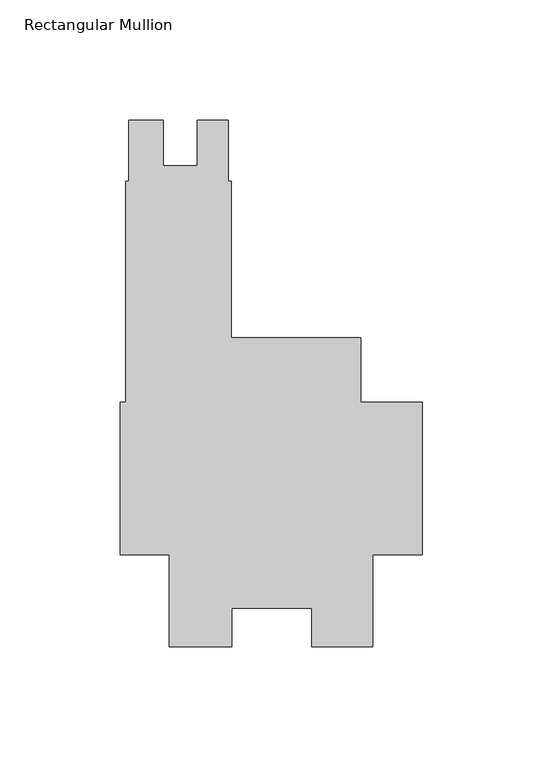
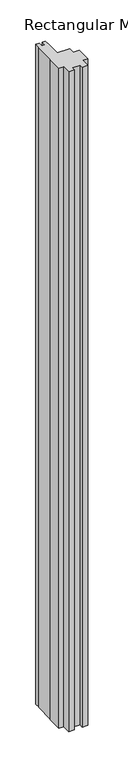
"""IFC4 building model written with IfcOpenShell, lengths in millimetres: member geometry, Rectangular Mullion."""

from ifc_helpers import new_model, si_unit, frame, origin, place, context, project, spatial, polyline, outline, extrude, source, transform, mapped, element, save


def rectangular_mullion_2cac9946(model_context):
    return source(origin(), model_context, "Body", "SweptSolid", [
        extrude(outline(polyline([(-107.88015, 149.2250001), (-107.88015, 130.187701), (-93.59265, 130.187701), (-93.59265, 149.2250001), (-80.87995, 149.2250001), (-80.87995, 123.8250001), (-79.60995, 123.8250001), (-79.60995, 58.7248001), (-25.577927, 58.7248001), (-25.577927, 31.7500001), (0.0, 31.7500001), (0.0, -31.75), (-20.6735973, -31.75), (-20.6735973, -69.85), (-45.9670891, -69.85), (-45.9670891, -53.9624751), (-79.3689318, -53.9624751), (-79.3689318, -69.8732034), (-105.2447888, -69.8732034), (-105.2447888, -31.75), (-125.7808, -31.75), (-125.7808, 31.7500001), (-123.39955, 31.7500001), (-123.39955, 123.8250001), (-122.1422337, 123.8250001), (-122.1422337, 149.2250001), (-107.88015, 149.2250001)])), frame((0.0, 0.0, -3048.0), z_axis=(0.0, 0.0, 1.0), x_axis=(1.0, 0.0, 0.0)), (0.0, 0.0, 1.0), 3048.0),
    ])


if __name__ == "__main__":
    model = new_model("IFC4")
    model_context = context("Model", 3, world=origin())
    ifc_project = project(units=[si_unit("LENGTHUNIT", "METRE", prefix="MILLI")], contexts=[model_context])
    site = spatial("IfcSite", under=ifc_project)
    building = spatial("IfcBuilding", under=site)
    placement = place(None, origin())
    rectangular_mullion_shape = rectangular_mullion_2cac9946(model_context)
    element("IfcMember", 1, ObjectType="Rectangular Mullion", at=placement, inside=building, context=model_context, shape_type="MappedRepresentation", body=[
        mapped(rectangular_mullion_shape, transform((0.0, 0.0, 0.0), x_axis=(1.0, 0.0, 0.0), y_axis=(0.0, 1.0, 0.0), z_axis=(0.0, 0.0, 1.0))),
    ])
    save(model, "model.ifc")
